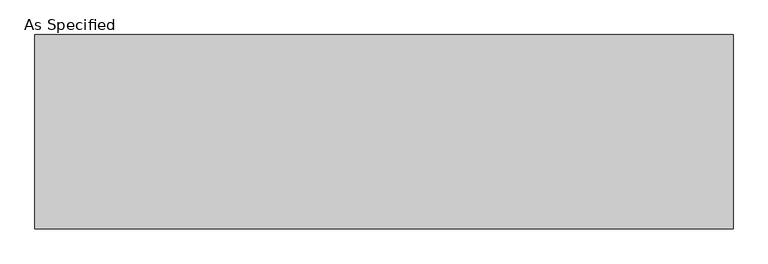
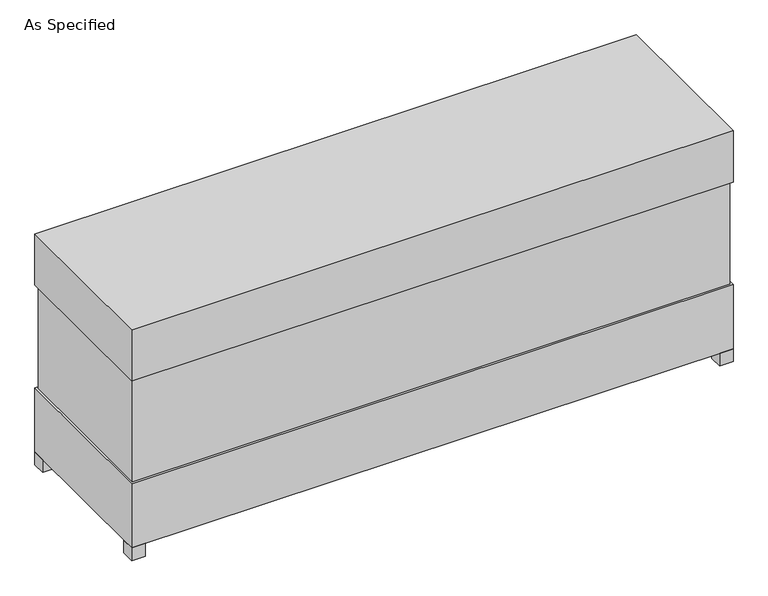
"""IFC4 building model written with IfcOpenShell, lengths in millimetres: proxy geometry, As Specified."""

from ifc_helpers import new_model, si_unit, frame, origin, origin_with_axes, place, context, project, spatial, polyline, outline, extrude, source, transform, mapped, element, save


def as_specified_037525ba(model_context):
    return source(origin(), model_context, "Body", "SweptSolid", [
        extrude(outline(polyline([(1677.9875, 458.7875), (1677.9875, -458.7875), (-1677.9875, -458.7875), (-1677.9875, 458.7875), (1677.9875, 458.7875)])), frame((0.0, 0.0, 457.2), z_axis=(0.0, 0.0, 1.0), x_axis=(1.0, 0.0, 0.0)), (0.0, 0.0, 1.0), 609.6),
        extrude(outline(polyline([(1689.1, 469.9), (1689.1, -469.9), (-1689.1, -469.9), (-1689.1, 469.9), (1689.1, 469.9)])), frame((0.0, 0.0, 1066.8), z_axis=(0.0, 0.0, 1.0), x_axis=(1.0, 0.0, 0.0)), (0.0, 0.0, 1.0), 304.8),
        extrude(outline(polyline([(1574.8, 254.0), (1574.8, 177.8), (1498.6, 177.8), (1498.6, 254.0), (1574.8, 254.0)])), frame((0.0, 0.0, 50.8), z_axis=(0.0, 0.0, 1.0), x_axis=(1.0, 0.0, 0.0)), (0.0, 0.0, 1.0), 25.4),
        extrude(outline(polyline([(1574.8, -177.8), (1574.8, -254.0), (1498.6, -254.0), (1498.6, -177.8), (1574.8, -177.8)])), frame((0.0, 0.0, 50.8), z_axis=(0.0, 0.0, 1.0), x_axis=(1.0, 0.0, 0.0)), (0.0, 0.0, 1.0), 25.4),
        extrude(outline(polyline([(-1612.9, 469.9), (-1612.9, 393.7), (-1689.1, 393.7), (-1689.1, 469.9), (-1612.9, 469.9)])), origin_with_axes(), (0.0, 0.0, 1.0), 76.2),
        extrude(outline(polyline([(1689.1, 469.9), (1689.1, 393.7), (1612.9, 393.7), (1612.9, 469.9), (1689.1, 469.9)])), origin_with_axes(), (0.0, 0.0, 1.0), 76.2),
        extrude(outline(polyline([(1689.1, -393.7), (1689.1, -469.9), (1612.9, -469.9), (1612.9, -393.7), (1689.1, -393.7)])), origin_with_axes(), (0.0, 0.0, 1.0), 76.2),
        extrude(outline(polyline([(-1612.9, -393.7), (-1612.9, -469.9), (-1689.1, -469.9), (-1689.1, -393.7), (-1612.9, -393.7)])), origin_with_axes(), (0.0, 0.0, 1.0), 76.2),
        extrude(outline(polyline([(1689.1, 469.9), (1689.1, -469.9), (-1689.1, -469.9), (-1689.1, 469.9), (1689.1, 469.9)])), frame((0.0, 0.0, 76.2), z_axis=(0.0, 0.0, 1.0), x_axis=(1.0, 0.0, 0.0)), (0.0, 0.0, 1.0), 381.0),
    ])


if __name__ == "__main__":
    model = new_model("IFC4")
    model_context = context("Model", 3, world=origin())
    ifc_project = project(units=[si_unit("LENGTHUNIT", "METRE", prefix="MILLI")], contexts=[model_context])
    site = spatial("IfcSite", under=ifc_project)
    building = spatial("IfcBuilding", under=site)
    placement = place(None, origin())
    as_specified_shape = as_specified_037525ba(model_context)
    element("IfcBuildingElementProxy", 1, Name="As Specified", ObjectType="As Specified", at=placement, inside=building, context=model_context, shape_type="MappedRepresentation", body=[
        mapped(as_specified_shape, transform((0.0, 0.0, 0.0), x_axis=(1.0, 0.0, 0.0), y_axis=(0.0, 1.0, 0.0), z_axis=(0.0, 0.0, 1.0))),
    ])
    save(model, "model.ifc")
